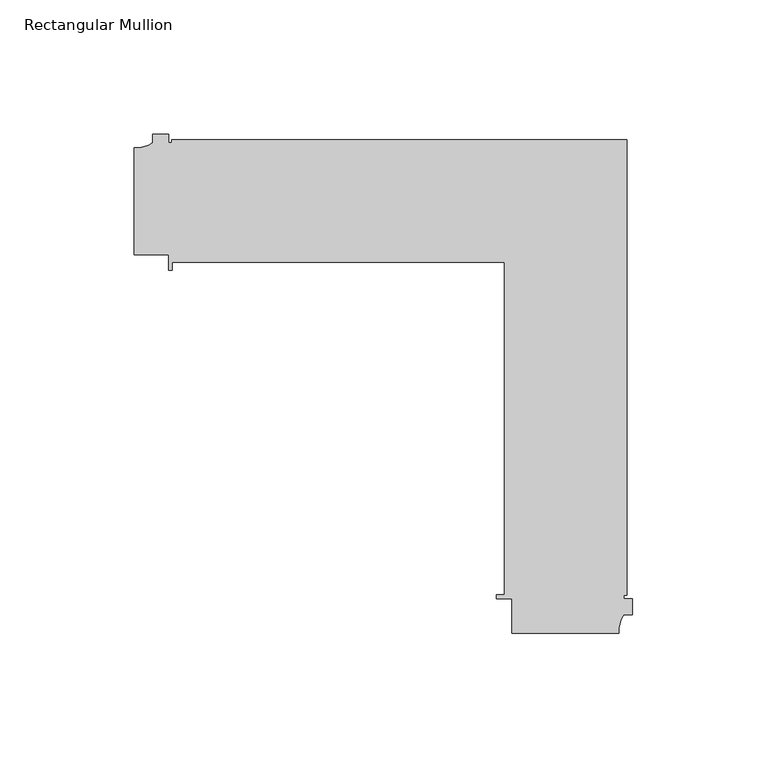
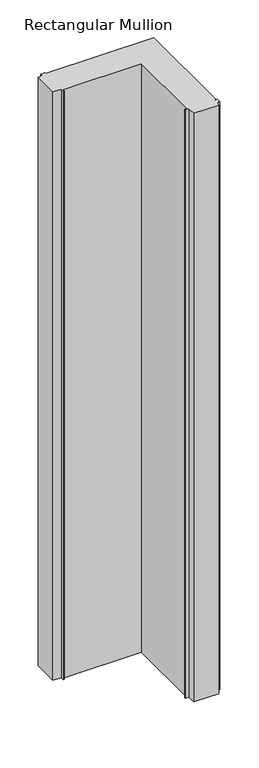
"""IFC4 building model written with IfcOpenShell, lengths in millimetres: member geometry, Rectangular Mullion."""

from ifc_helpers import new_model, si_unit, point, frame, frame_2d, origin, place, context, project, spatial, polyline, circle_curve, trimmed, segment, composite_curve, outline, extrude, source, transform, mapped, element, save


def rectangular_mullion_731a8b56(model_context):
    return source(origin(), model_context, "Body", "SweptSolid", [
        extrude(outline(composite_curve([segment(trimmed(circle_curve(frame_2d((-185.1098471, 25.7981787)), 10.4563907), [point((-185.9999843, 15.379745))], [point((-179.0000452, 17.3125187))], True, "CARTESIAN"), True, "CONTINUOUS"), segment(polyline([(-179.0000452, 17.3125187), (-179.0000452, 20.4999975), (-173.0000452, 20.4999975), (-173.0000452, 17.2147834), (-171.9852227, 17.2147834), (-171.9852227, 18.4147834), (-2.0852141, 18.4147834), (-2.0852141, -151.4852252), (-3.2852141, -151.4852252), (-3.2852141, -152.7000145), (0.0, -152.7000145), (0.0, -158.7000145), (-3.1874788, -158.7000145)]), True, "CONTINUOUS"), segment(trimmed(circle_curve(frame_2d((5.2981812, -164.8098164)), 10.4563907), [point((-3.1874788, -158.7000145))], [point((-5.1202525, -165.6999536))], True, "CARTESIAN"), True, "CONTINUOUS"), segment(polyline([(-5.1202525, -165.6999536), (-45.0, -165.6999536), (-45.0, -152.7000145), (-50.8, -152.7000145), (-50.8, -151.3000025), (-47.8, -151.3000025), (-47.8, -27.3000025), (-171.8, -27.3000025), (-171.8, -30.3000025), (-173.0000452, -30.3000025), (-173.0000452, -24.5000025), (-185.9999843, -24.5000025), (-185.9999843, 15.379745)]), True, "CONTINUOUS")], self_intersect=False)), frame((0.0, 0.0, -983.7033268), z_axis=(0.0, 0.0, 1.0), x_axis=(1.0, 0.0, 0.0)), (0.0, 0.0, 1.0), 983.7033268),
    ])


if __name__ == "__main__":
    model = new_model("IFC4")
    model_context = context("Model", 3, world=origin())
    ifc_project = project(units=[si_unit("LENGTHUNIT", "METRE", prefix="MILLI")], contexts=[model_context])
    site = spatial("IfcSite", under=ifc_project)
    building = spatial("IfcBuilding", under=site)
    placement = place(None, origin())
    rectangular_mullion_shape = rectangular_mullion_731a8b56(model_context)
    element("IfcMember", 1, ObjectType="Rectangular Mullion", at=placement, inside=building, context=model_context, shape_type="MappedRepresentation", body=[
        mapped(rectangular_mullion_shape, transform((0.0, 0.0, 0.0), x_axis=(1.0, 0.0, 0.0), y_axis=(0.0, 1.0, 0.0), z_axis=(0.0, 0.0, 1.0))),
    ])
    save(model, "model.ifc")
